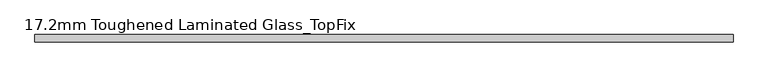
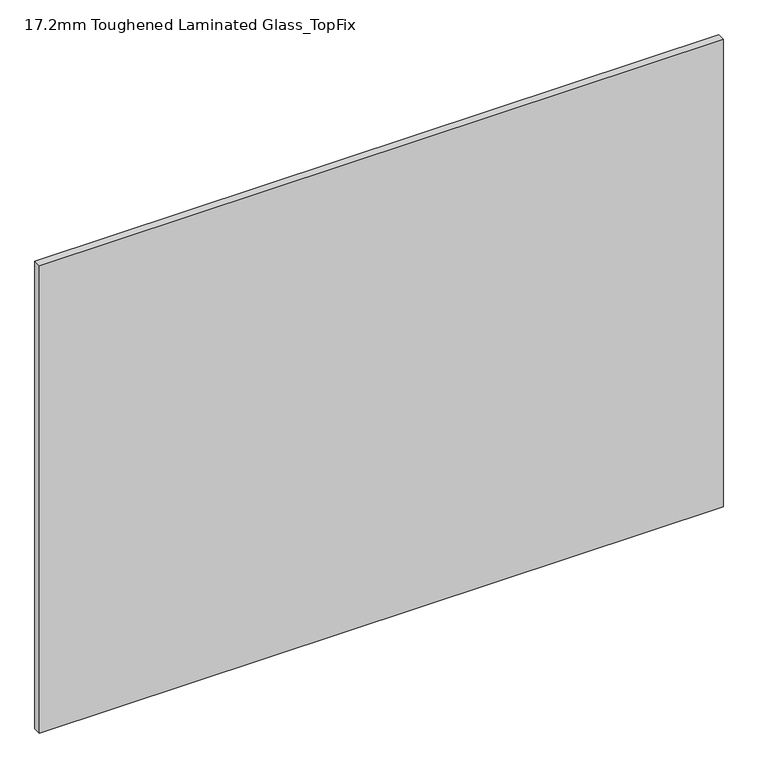
"""IFC4 building model written with IfcOpenShell, lengths in millimetres: plate geometry, 17.2mm Toughened Laminated Glass_TopFix."""

from ifc_helpers import new_model, si_unit, origin, origin_with_axes, place, context, project, spatial, polyline, outline, extrude, source, transform, mapped, element, save


def plate_17_2mm_toughened_laminated_glass_topfix_0068cda0(model_context):
    return source(origin(), model_context, "Body", "SweptSolid", [
        extrude(outline(polyline([(795.0000001, 8.6), (795.0000001, -8.6), (-795.0000001, -8.6), (-795.0000001, 8.6), (795.0000001, 8.6)])), origin_with_axes(), (0.0, 0.0, 1.0), 1149.0),
    ])


if __name__ == "__main__":
    model = new_model("IFC4")
    model_context = context("Model", 3, world=origin())
    ifc_project = project(units=[si_unit("LENGTHUNIT", "METRE", prefix="MILLI")], contexts=[model_context])
    site = spatial("IfcSite", under=ifc_project)
    building = spatial("IfcBuilding", under=site)
    placement = place(None, origin())
    plate_17_2mm_toughened_laminated_glass_topfix_shape = plate_17_2mm_toughened_laminated_glass_topfix_0068cda0(model_context)
    element("IfcPlate", 1, ObjectType="17.2mm Toughened Laminated Glass_TopFix", at=placement, inside=building, context=model_context, shape_type="MappedRepresentation", body=[
        mapped(plate_17_2mm_toughened_laminated_glass_topfix_shape, transform((0.0, 0.0, 0.0), x_axis=(1.0, 0.0, 0.0), y_axis=(0.0, 1.0, 0.0), z_axis=(0.0, 0.0, 1.0))),
    ])
    save(model, "model.ifc")
